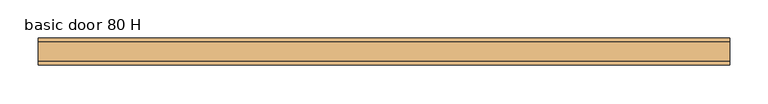
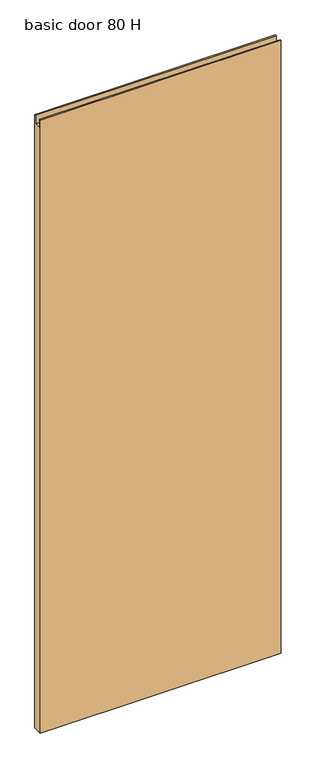
"""IFC4 building model written with IfcOpenShell, lengths in millimetres: door geometry, basic door 80 H."""

from ifc_helpers import new_model, si_unit, frame, origin, place, context, project, spatial, polyline, outline, extrude, source, transform, mapped, element, save


def basic_door_80_h_78307544(model_context):
    return source(origin(), model_context, "Body", "SweptSolid", [
        extrude(outline(polyline([(17.5, 11.0), (-17.5, 11.0), (-17.5, 2432.0), (-13.0, 2432.0), (-13.0, 2398.0), (13.0, 2398.0), (13.0, 2432.0), (17.5, 2432.0), (17.5, 11.0)])), frame((-450.0, 0.0, 0.0), z_axis=(1.0, 0.0, 0.0), x_axis=(0.0, 1.0, 0.0)), (0.0, 0.0, 1.0), 900.0),
    ])


if __name__ == "__main__":
    model = new_model("IFC4")
    model_context = context("Model", 3, world=origin())
    ifc_project = project(units=[si_unit("LENGTHUNIT", "METRE", prefix="MILLI")], contexts=[model_context])
    site = spatial("IfcSite", under=ifc_project)
    building = spatial("IfcBuilding", under=site)
    placement = place(None, origin())
    basic_door_80_h_shape = basic_door_80_h_78307544(model_context)
    element("IfcDoor", 1, ObjectType="basic door 80 H", at=placement, inside=building, context=model_context, shape_type="MappedRepresentation", body=[
        mapped(basic_door_80_h_shape, transform((0.0, 0.0, 0.0), x_axis=(1.0, 0.0, 0.0), y_axis=(0.0, 1.0, 0.0), z_axis=(0.0, 0.0, 1.0))),
    ])
    save(model, "model.ifc")
